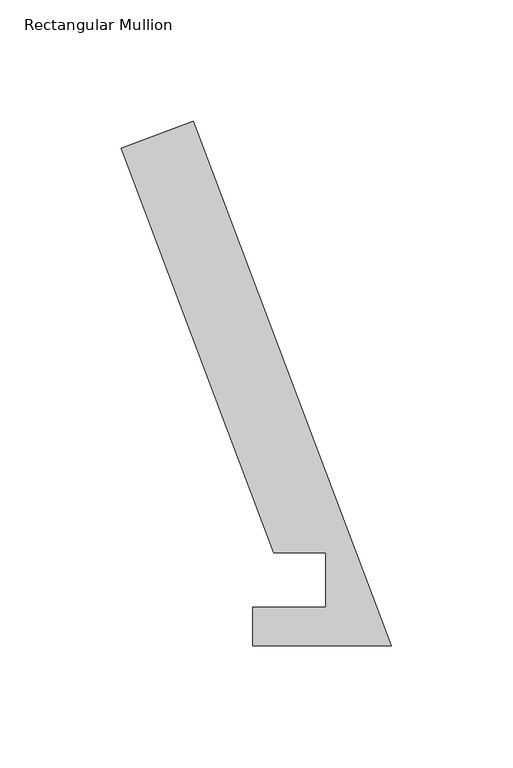
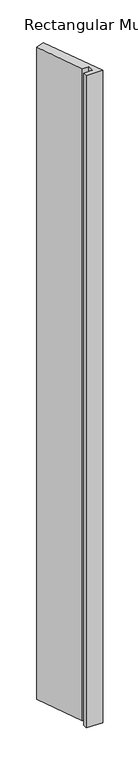
"""IFC4 building model written with IfcOpenShell, lengths in millimetres: member geometry, Rectangular Mullion."""

from ifc_helpers import new_model, si_unit, frame, origin, place, context, project, spatial, polyline, outline, extrude, source, transform, mapped, element, save


def rectangular_mullion_61ee38f0(model_context):
    return source(origin(), model_context, "Body", "SweptSolid", [
        extrude(outline(polyline([(0.0, 0.0380112), (-57.2922169, 0.0380112), (-57.2922169, 15.9130112), (-27.171167, 15.9130112), (-27.1188377, 38.4018802), (-48.4388076, 38.4050794), (-111.4308257, 205.1086181), (-81.7304777, 216.3314444), (0.0, 0.0380112)])), frame((0.0, 0.0, -2405.5604059), z_axis=(0.0, 0.0, 1.0), x_axis=(1.0, 0.0, 0.0)), (0.0, 0.0, 1.0), 2405.5604059),
    ])


if __name__ == "__main__":
    model = new_model("IFC4")
    model_context = context("Model", 3, world=origin())
    ifc_project = project(units=[si_unit("LENGTHUNIT", "METRE", prefix="MILLI")], contexts=[model_context])
    site = spatial("IfcSite", under=ifc_project)
    building = spatial("IfcBuilding", under=site)
    placement = place(None, origin())
    rectangular_mullion_shape = rectangular_mullion_61ee38f0(model_context)
    element("IfcMember", 1, ObjectType="Rectangular Mullion", at=placement, inside=building, context=model_context, shape_type="MappedRepresentation", body=[
        mapped(rectangular_mullion_shape, transform((0.0, 0.0, 0.0), x_axis=(1.0, 0.0, 0.0), y_axis=(0.0, 1.0, 0.0), z_axis=(0.0, 0.0, 1.0))),
    ])
    save(model, "model.ifc")
